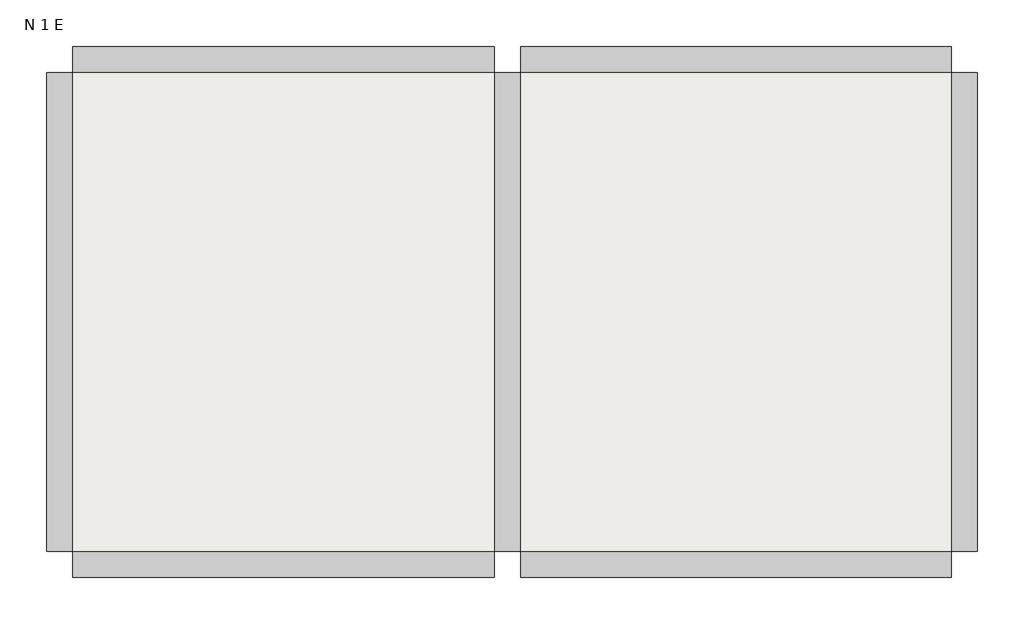
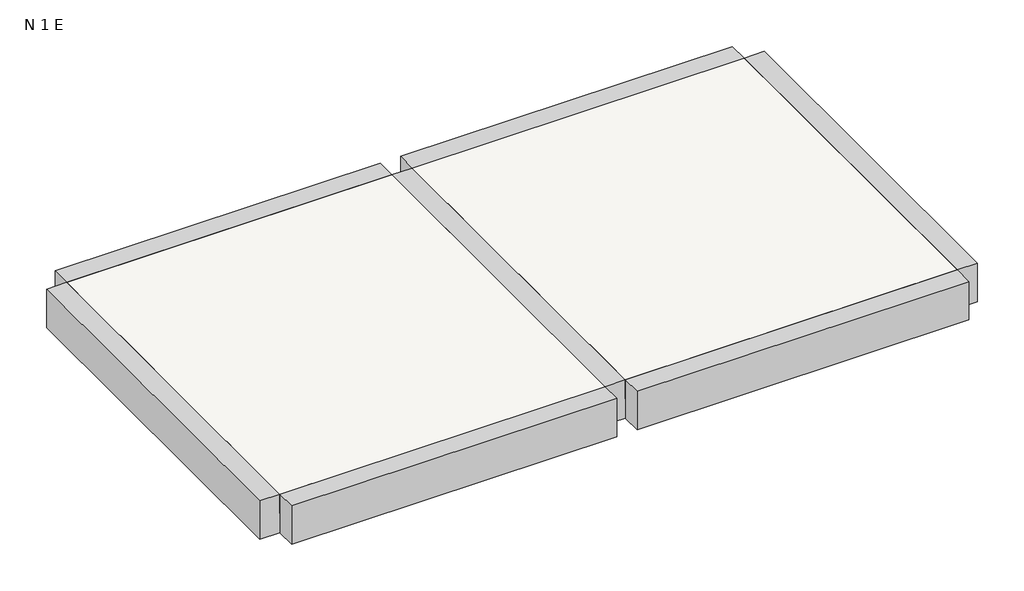
# One storey: 7 beams, 2 slabs.
"""IFC4 building model written with IfcOpenShell, lengths in millimetres."""

from ifc_helpers import new_model, si_unit, frame, origin, place, context, project, spatial, polyline, outline, extrude, faceted_brep, element, save

model = new_model("IFC4")

# Units and contexts
model_context = context("Model", 3, world=origin())
ifc_project = project(units=[si_unit("LENGTHUNIT", "METRE", prefix="MILLI")], contexts=[model_context])

# Site, building, storey
site = spatial("IfcSite", under=ifc_project)
building = spatial("IfcBuilding", under=site)
storey = spatial("IfcBuildingStorey", under=building, Name="N 1 E", Elevation=2900.0)

# Beams
placement = place(None, origin())
element("IfcBeam", 1, ObjectType="300 x 600mm", at=placement, inside=storey, context=model_context, shape_type="Brep", body=[
    faceted_brep([(-3701.2293863, -6088.9448735, 2900.0), (-4001.2293863, -6088.9448735, 2900.0), (-4001.2293863, -11538.9448735, 2900.0), (-3701.2293863, -11538.9448735, 2900.0), (-4001.2293863, -6088.9448735, 2300.0), (-4001.2293863, -11538.9448735, 2300.0), (-3701.2293863, -6088.9448735, 2300.0), (-3701.2293863, -11538.9448735, 2300.0), (-3701.2293863, -6088.9448735, 2600.0), (-3701.2293863, -11538.9448735, 2600.0)], [[[0, 1, 2, 3]], [[1, 4, 5, 2]], [[4, 6, 7, 5]], [[6, 8, 0, 3, 9, 7]], [[0, 8, 6, 4, 1]], [[3, 2, 5, 7, 9]]]),
])
element("IfcBeam", 2, ObjectType="300 x 600mm", at=placement, inside=storey, context=model_context, shape_type="Brep", body=[
    faceted_brep([(1398.7706137, -6088.9448735, 2900.0), (1098.7706137, -6088.9448735, 2900.0), (1098.7706137, -11538.9448735, 2900.0), (1398.7706137, -11538.9448735, 2900.0), (1098.7706137, -6088.9448735, 2600.0), (1098.7706137, -6088.9448735, 2300.0), (1098.7706137, -11538.9448735, 2300.0), (1098.7706137, -11538.9448735, 2600.0), (1398.7706137, -6088.9448735, 2300.0), (1398.7706137, -11538.9448735, 2300.0), (1398.7706137, -6088.9448735, 2600.0), (1398.7706137, -11538.9448735, 2600.0)], [[[0, 1, 2, 3]], [[1, 4, 5, 6, 7, 2]], [[5, 8, 9, 6]], [[8, 10, 0, 3, 11, 9]], [[1, 0, 10, 8, 5, 4]], [[3, 2, 7, 6, 9, 11]]]),
])
element("IfcBeam", 3, ObjectType="300 x 600mm", at=placement, inside=storey, context=model_context, shape_type="Brep", body=[
    faceted_brep([(-3701.2293863, -5788.9448735, 2900.0), (-3701.2293863, -6088.9448735, 2900.0), (1098.7706137, -6088.9448735, 2900.0), (1098.7706137, -5788.9448735, 2900.0), (-3701.2293863, -6088.9448735, 2600.0), (-3701.2293863, -6088.9448735, 2300.0), (1098.7706137, -6088.9448735, 2300.0), (1098.7706137, -6088.9448735, 2600.0), (-3701.2293863, -5788.9448735, 2300.0), (1098.7706137, -5788.9448735, 2300.0)], [[[0, 1, 2, 3]], [[1, 4, 5, 6, 7, 2]], [[5, 8, 9, 6]], [[8, 0, 3, 9]], [[1, 0, 8, 5, 4]], [[3, 2, 7, 6, 9]]]),
])
element("IfcBeam", 4, ObjectType="300 x 600mm", at=placement, inside=storey, context=model_context, shape_type="Brep", body=[
    faceted_brep([(6298.7706137, -6088.9448735, 2900.0), (6298.7706137, -5788.9448735, 2900.0), (1398.7706137, -5788.9448735, 2900.0), (1398.7706137, -6088.9448735, 2900.0), (6298.7706137, -6088.9448735, 2300.0), (6298.7706137, -6088.9448735, 2600.0), (1398.7706137, -6088.9448735, 2600.0), (1398.7706137, -6088.9448735, 2300.0), (6298.7706137, -5788.9448735, 2300.0), (1398.7706137, -5788.9448735, 2300.0)], [[[0, 1, 2, 3]], [[4, 5, 0, 3, 6, 7]], [[8, 4, 7, 9]], [[1, 8, 9, 2]], [[1, 0, 5, 4, 8]], [[3, 2, 9, 7, 6]]]),
])
element("IfcBeam", 5, ObjectType="300 x 600mm", at=placement, inside=storey, context=model_context, shape_type="Brep", body=[
    faceted_brep([(-3701.2293863, -11538.9448735, 2900.0), (-3701.2293863, -11838.9448735, 2900.0), (1098.7706137, -11838.9448735, 2900.0), (1098.7706137, -11538.9448735, 2900.0), (-3701.2293863, -11838.9448735, 2300.0), (1098.7706137, -11838.9448735, 2300.0), (-3701.2293863, -11538.9448735, 2300.0), (1098.7706137, -11538.9448735, 2300.0), (-3701.2293863, -11538.9448735, 2600.0), (1098.7706137, -11538.9448735, 2600.0)], [[[0, 1, 2, 3]], [[1, 4, 5, 2]], [[4, 6, 7, 5]], [[6, 8, 0, 3, 9, 7]], [[1, 0, 8, 6, 4]], [[3, 2, 5, 7, 9]]]),
])
element("IfcBeam", 6, ObjectType="300 x 600mm", at=placement, inside=storey, context=model_context, shape_type="Brep", body=[
    faceted_brep([(6298.7706137, -11838.9448735, 2900.0), (6298.7706137, -11538.9448735, 2900.0), (1398.7706137, -11538.9448735, 2900.0), (1398.7706137, -11838.9448735, 2900.0), (6298.7706137, -11838.9448735, 2300.0), (1398.7706137, -11838.9448735, 2300.0), (6298.7706137, -11538.9448735, 2300.0), (1398.7706137, -11538.9448735, 2300.0), (6298.7706137, -11538.9448735, 2600.0), (1398.7706137, -11538.9448735, 2600.0)], [[[0, 1, 2, 3]], [[4, 0, 3, 5]], [[6, 4, 5, 7]], [[1, 8, 6, 7, 9, 2]], [[1, 0, 4, 6, 8]], [[3, 2, 9, 7, 5]]]),
])
element("IfcBeam", 7, ObjectType="300 x 600mm", at=placement, inside=storey, context=model_context, shape_type="Brep", body=[
    faceted_brep([(6298.7706137, -11538.9448735, 2900.0), (6598.7706137, -11538.9448735, 2900.0), (6598.7706137, -6088.9448735, 2900.0), (6298.7706137, -6088.9448735, 2900.0), (6298.7706137, -11538.9448735, 2300.0), (6298.7706137, -11538.9448735, 2600.0), (6298.7706137, -6088.9448735, 2600.0), (6298.7706137, -6088.9448735, 2300.0), (6598.7706137, -11538.9448735, 2300.0), (6598.7706137, -6088.9448735, 2300.0)], [[[0, 1, 2, 3]], [[4, 5, 0, 3, 6, 7]], [[8, 4, 7, 9]], [[1, 8, 9, 2]], [[1, 0, 5, 4, 8]], [[3, 2, 9, 7, 6]]]),
])

# Slabs
element("IfcSlab", 8, at=placement, inside=storey, context=model_context, shape_type="SweptSolid", body=[
    extrude(outline(polyline([(1098.7706137, -6088.9448735), (1098.7706137, -11538.9448735), (-3701.2293863, -11538.9448735), (-3701.2293863, -6088.9448735), (1098.7706137, -6088.9448735)])), frame((0.0, 0.0, 2600.0), z_axis=(0.0, 0.0, 1.0), x_axis=(1.0, 0.0, 0.0)), (0.0, 0.0, 1.0), 300.0),
])
element("IfcSlab", 9, at=placement, inside=storey, context=model_context, shape_type="SweptSolid", body=[
    extrude(outline(polyline([(6298.7706137, -6088.9448735), (6298.7706137, -11538.9448735), (1398.7706137, -11538.9448735), (1398.7706137, -6088.9448735), (6298.7706137, -6088.9448735)])), frame((0.0, 0.0, 2600.0), z_axis=(0.0, 0.0, 1.0), x_axis=(1.0, 0.0, 0.0)), (0.0, 0.0, 1.0), 300.0),
])

save(model, "model.ifc")
